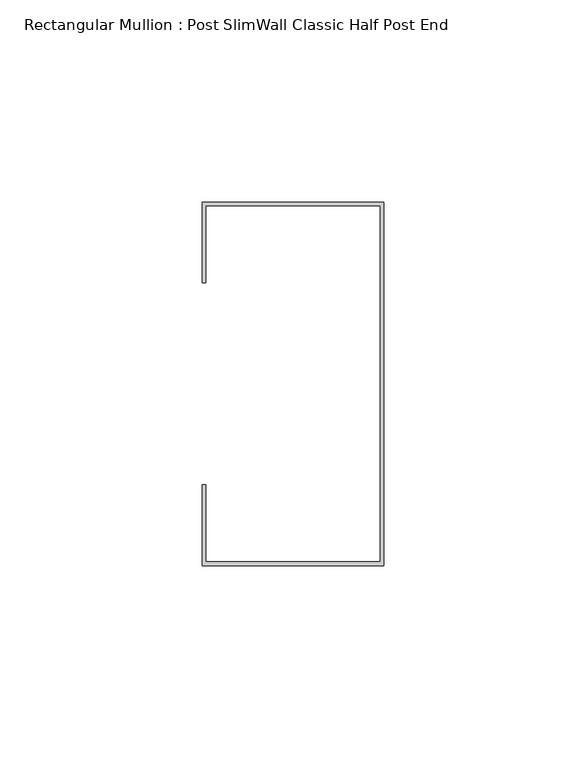
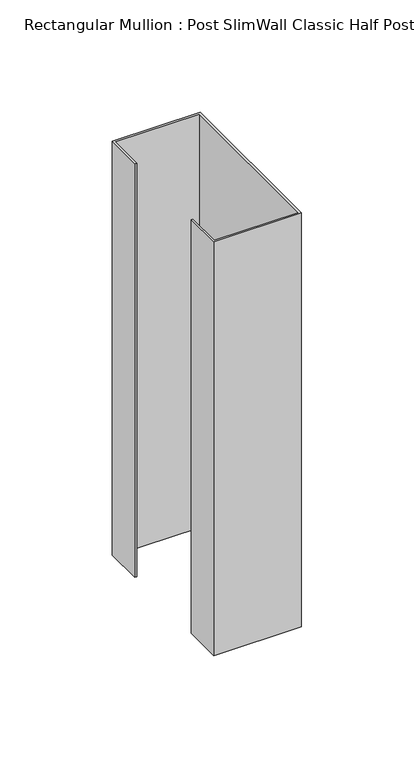
"""IFC4 building model written with IfcOpenShell, lengths in millimetres: member geometry, Rectangular Mullion : Post SlimWall Classic Half Post End."""

from ifc_helpers import new_model, si_unit, frame, origin, place, context, project, spatial, polyline, outline, extrude, source, transform, mapped, element, save


def rectangular_mullion_post_slimwall_classic_half_post_end_d4f35b91(model_context):
    return source(origin(), model_context, "Body", "SweptSolid", [
        extrude(outline(polyline([(-44.05, 44.05), (-44.05, 25.0), (-45.0, 25.0), (-45.0, 45.0), (0.0, 45.0), (0.0, -45.0), (-45.0, -45.0), (-45.0, -25.0), (-44.05, -25.0), (-44.05, -44.05), (-0.95, -44.05), (-0.95, 44.05), (-44.05, 44.05)])), frame((0.0, 0.0, -224.55), z_axis=(0.0, 0.0, 1.0), x_axis=(1.0, 0.0, 0.0)), (0.0, 0.0, 1.0), 224.55),
    ])


if __name__ == "__main__":
    model = new_model("IFC4")
    model_context = context("Model", 3, world=origin())
    ifc_project = project(units=[si_unit("LENGTHUNIT", "METRE", prefix="MILLI")], contexts=[model_context])
    site = spatial("IfcSite", under=ifc_project)
    building = spatial("IfcBuilding", under=site)
    placement = place(None, origin())
    rectangular_mullion_post_slimwall_classic_half_post_end_shape = rectangular_mullion_post_slimwall_classic_half_post_end_d4f35b91(model_context)
    element("IfcMember", 1, ObjectType="Rectangular Mullion : Post SlimWall Classic Half Post End", at=placement, inside=building, context=model_context, shape_type="MappedRepresentation", body=[
        mapped(rectangular_mullion_post_slimwall_classic_half_post_end_shape, transform((0.0, 0.0, 0.0), x_axis=(1.0, 0.0, 0.0), y_axis=(0.0, 1.0, 0.0), z_axis=(0.0, 0.0, 1.0))),
    ])
    save(model, "model.ifc")
